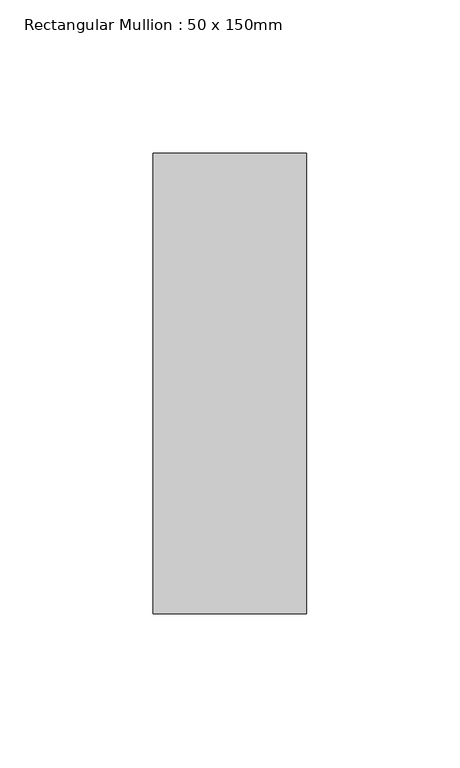
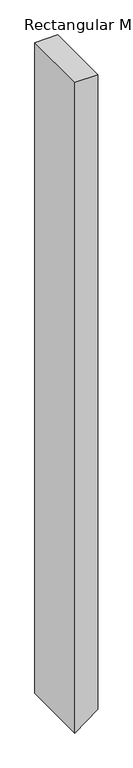
"""IFC4 building model written with IfcOpenShell, lengths in millimetres: member geometry, Rectangular Mullion : 50 x 150mm."""

from ifc_helpers import new_model, si_unit, frame, origin, place, context, project, spatial, polyline, outline, extrude, source, transform, mapped, element, save


def rectangular_mullion_50_x_150mm_fcfaade5(model_context):
    return source(origin(), model_context, "Body", "SweptSolid", [
        extrude(outline(polyline([(0.0, 25.0), (0.0, -25.0), (-1490.3691793, -25.0), (-1453.6028779, 25.0), (0.0, 25.0)])), frame((0.0, -75.0, 0.0), z_axis=(0.0, 1.0, 0.0), x_axis=(0.0, 0.0, 1.0)), (0.0, 0.0, 1.0), 150.0),
    ])


if __name__ == "__main__":
    model = new_model("IFC4")
    model_context = context("Model", 3, world=origin())
    ifc_project = project(units=[si_unit("LENGTHUNIT", "METRE", prefix="MILLI")], contexts=[model_context])
    site = spatial("IfcSite", under=ifc_project)
    building = spatial("IfcBuilding", under=site)
    placement = place(None, origin())
    rectangular_mullion_50_x_150mm_shape = rectangular_mullion_50_x_150mm_fcfaade5(model_context)
    element("IfcMember", 1, ObjectType="Rectangular Mullion : 50 x 150mm", at=placement, inside=building, context=model_context, shape_type="MappedRepresentation", body=[
        mapped(rectangular_mullion_50_x_150mm_shape, transform((0.0, 0.0, 0.0), x_axis=(1.0, 0.0, 0.0), y_axis=(0.0, 1.0, 0.0), z_axis=(0.0, 0.0, 1.0))),
    ])
    save(model, "model.ifc")
